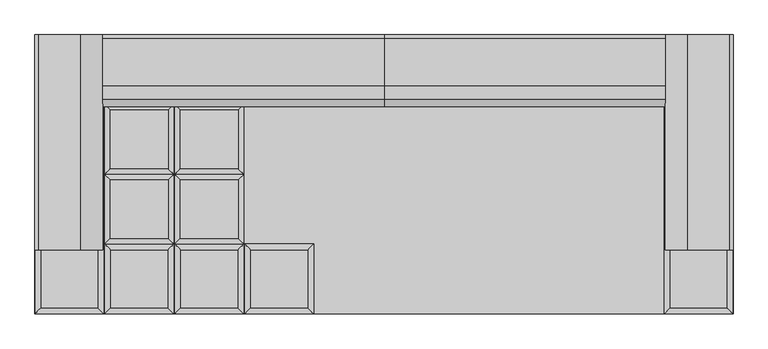
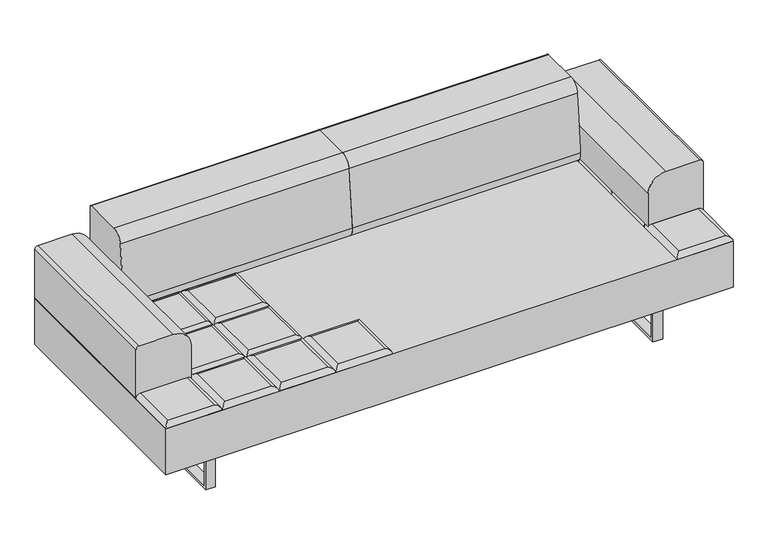
"""IFC4 building model written with IfcOpenShell, lengths in millimetres: furniture geometry."""

from ifc_helpers import new_model, si_unit, point, frame, frame_2d, origin, place, context, project, spatial, polyline, circle_curve, ellipse_curve, trimmed, segment, composite_curve, outline, extrude, source, transform, mapped, element, save
from ifc_brep_helpers import plane_surface, cylinder_surface, advanced_brep


def furniture_2a4c1647(model_context):
    return source(origin(), model_context, "Body", "SolidModel", [
        advanced_brep(
        [(-223.9433333, -222.25, 393.7), (-241.9038456, -240.2105122, 411.6605122), (-241.9038456, -426.5394878, 411.6605122), (-223.9433333, -444.5, 393.7), (-425.6928211, -426.5394878, 411.6605122), (-443.6533333, -444.5, 393.7), (-425.6928211, -240.2105122, 411.6605122), (-443.6533333, -222.25, 393.7)],
        [
            (0, 1, ellipse_curve(frame((-241.9038456, -240.2105122, 393.7), z_axis=(0.7071067811865475, -0.7071067811865475, 0.0), x_axis=(0.7071067811865474, 0.7071067811865476, 0.0)), 25.4, 17.9605122)),
            (1, 2),
            (2, 3, ellipse_curve(frame((-241.9038456, -426.5394878, 393.7), z_axis=(0.7071067811865475, 0.7071067811865475, 0.0), x_axis=(-0.7071067811865474, 0.7071067811865476, 0.0)), 25.4, 17.9605122)),
            (3, 0),
            (2, 4),
            (4, 5, ellipse_curve(frame((-425.6928211, -426.5394878, 393.7), z_axis=(0.7071067811865475, -0.7071067811865475, 0.0), x_axis=(0.7071067811865476, 0.7071067811865474, 0.0)), 25.4, 17.9605122)),
            (5, 3),
            (4, 6),
            (6, 7, ellipse_curve(frame((-425.6928211, -240.2105122, 393.7), z_axis=(-0.7071067811865475, -0.7071067811865475, 0.0), x_axis=(0.7071067811865474, -0.7071067811865476, 0.0)), 25.4, 17.9605122)),
            (7, 5),
            (0, 7),
            (6, 1),
        ],
        [
            cylinder_surface(frame((-241.9038456, -222.25, 393.7), z_axis=(0.0, 1.0, 0.0), x_axis=(1.0, 0.0, 0.0)), 17.9605122),
            cylinder_surface(frame((-223.9433333, -426.5394878, 393.7), z_axis=(1.0, 0.0, 0.0), x_axis=(0.0, -1.0, 0.0)), 17.9605122),
            cylinder_surface(frame((-425.6928211, -444.5, 393.7), z_axis=(0.0, -1.0, 0.0), x_axis=(-1.0, 0.0, 0.0)), 17.9605122),
            cylinder_surface(frame((-443.6533333, -240.2105122, 393.7), z_axis=(-1.0, 0.0, 0.0), x_axis=(0.0, 1.0, 0.0)), 17.9605122),
            plane_surface(frame((-443.6533333, -222.25, 393.7), z_axis=(0.0, 0.0, -1.0), x_axis=(1.0, 0.0, 0.0))),
            plane_surface(frame((-425.6928211, -240.2105122, 411.6605122), z_axis=(0.0, 0.0, 1.0), x_axis=(-1.0, 0.0, 0.0))),
        ],
        [
            (0, [[1, 2, 3, 4]]),
            (1, [[-3, 5, 6, 7]]),
            (2, [[-6, 8, 9, 10]]),
            (3, [[-1, 11, -9, 12]]),
            (4, [[-4, -7, -10, -11]]),
            (5, [[-2, -12, -8, -5]]),
        ],
    ),
        advanced_brep(
        [(-464.4360678, -204.2894878, 411.6605122), (-464.4360678, -17.9605122, 411.6605122), (-648.2250433, -17.9605122, 411.6605122), (-648.2250433, -204.2894878, 411.6605122), (-446.4755556, 0.0, 393.7), (-446.4755556, -222.25, 393.7), (-666.1855556, -222.25, 393.7), (-666.1855556, 0.0, 393.7)],
        [
            (0, 1),
            (1, 2),
            (2, 3),
            (3, 0),
            (4, 5),
            (5, 6),
            (6, 7),
            (7, 4),
            (4, 1, ellipse_curve(frame((-464.4360678, -17.9605122, 393.7), z_axis=(0.7071067811865475, -0.7071067811865475, 0.0), x_axis=(0.7071067811865474, 0.7071067811865476, 0.0)), 25.4, 17.9605122)),
            (0, 5, ellipse_curve(frame((-464.4360678, -204.2894878, 393.7), z_axis=(0.7071067811865475, 0.7071067811865475, 0.0), x_axis=(-0.7071067811865474, 0.7071067811865476, 0.0)), 25.4, 17.9605122)),
            (3, 6, ellipse_curve(frame((-648.2250433, -204.2894878, 393.7), z_axis=(0.7071067811865475, -0.7071067811865475, 0.0), x_axis=(0.7071067811865476, 0.7071067811865474, 0.0)), 25.4, 17.9605122)),
            (2, 7, ellipse_curve(frame((-648.2250433, -17.9605122, 393.7), z_axis=(-0.7071067811865475, -0.7071067811865475, 0.0), x_axis=(0.7071067811865474, -0.7071067811865476, 0.0)), 25.4, 17.9605122)),
        ],
        [
            plane_surface(frame((-648.2250433, -17.9605122, 411.6605122), z_axis=(0.0, 0.0, 1.0), x_axis=(-1.0, 0.0, 0.0))),
            plane_surface(frame((-648.2250433, -17.9605122, 393.7), z_axis=(0.0, 0.0, -1.0), x_axis=(1.0, 0.0, 0.0))),
            cylinder_surface(frame((-464.4360678, 0.0, 393.7), z_axis=(0.0, 1.0, 0.0), x_axis=(1.0, 0.0, 0.0)), 17.9605122),
            cylinder_surface(frame((-446.4755556, -204.2894878, 393.7), z_axis=(1.0, 0.0, 0.0), x_axis=(0.0, -1.0, 0.0)), 17.9605122),
            cylinder_surface(frame((-648.2250433, -222.25, 393.7), z_axis=(0.0, -1.0, 0.0), x_axis=(-1.0, 0.0, 0.0)), 17.9605122),
            cylinder_surface(frame((-666.1855556, -17.9605122, 393.7), z_axis=(-1.0, 0.0, 0.0), x_axis=(0.0, 1.0, 0.0)), 17.9605122),
        ],
        [
            (0, [[1, 2, 3, 4]]),
            (1, [[5, 6, 7, 8]]),
            (2, [[9, -1, 10, -5]]),
            (3, [[-10, -4, 11, -6]]),
            (4, [[-11, -3, 12, -7]]),
            (5, [[-9, -8, -12, -2]]),
        ],
    ),
        advanced_brep(
        [(-464.4360678, 17.9605122, 411.6605122), (-464.4360678, 204.2894878, 411.6605122), (-648.2250433, 204.2894878, 411.6605122), (-648.2250433, 17.9605122, 411.6605122), (-446.4755556, 222.25, 393.7), (-446.4755556, 0.0, 393.7), (-666.1855556, 0.0, 393.7), (-666.1855556, 222.25, 393.7)],
        [
            (0, 1),
            (1, 2),
            (2, 3),
            (3, 0),
            (4, 5),
            (5, 6),
            (6, 7),
            (7, 4),
            (4, 1, ellipse_curve(frame((-464.4360678, 204.2894878, 393.7), z_axis=(0.7071067811865475, -0.7071067811865475, 0.0), x_axis=(0.7071067811865474, 0.7071067811865476, 0.0)), 25.4, 17.9605122)),
            (0, 5, ellipse_curve(frame((-464.4360678, 17.9605122, 393.7), z_axis=(0.7071067811865475, 0.7071067811865475, 0.0), x_axis=(-0.7071067811865474, 0.7071067811865476, 0.0)), 25.4, 17.9605122)),
            (3, 6, ellipse_curve(frame((-648.2250433, 17.9605122, 393.7), z_axis=(0.7071067811865475, -0.7071067811865475, 0.0), x_axis=(0.7071067811865476, 0.7071067811865474, 0.0)), 25.4, 17.9605122)),
            (2, 7, ellipse_curve(frame((-648.2250433, 204.2894878, 393.7), z_axis=(-0.7071067811865475, -0.7071067811865475, 0.0), x_axis=(0.7071067811865474, -0.7071067811865476, 0.0)), 25.4, 17.9605122)),
        ],
        [
            plane_surface(frame((-648.2250433, 204.2894878, 411.6605122), z_axis=(0.0, 0.0, 1.0), x_axis=(-1.0, 0.0, 0.0))),
            plane_surface(frame((-648.2250433, 204.2894878, 393.7), z_axis=(0.0, 0.0, -1.0), x_axis=(1.0, 0.0, 0.0))),
            cylinder_surface(frame((-464.4360678, 222.25, 393.7), z_axis=(0.0, 1.0, 0.0), x_axis=(1.0, 0.0, 0.0)), 17.9605122),
            cylinder_surface(frame((-446.4755556, 17.9605122, 393.7), z_axis=(1.0, 0.0, 0.0), x_axis=(0.0, -1.0, 0.0)), 17.9605122),
            cylinder_surface(frame((-648.2250433, 0.0, 393.7), z_axis=(0.0, -1.0, 0.0), x_axis=(-1.0, 0.0, 0.0)), 17.9605122),
            cylinder_surface(frame((-666.1855556, 204.2894878, 393.7), z_axis=(-1.0, 0.0, 0.0), x_axis=(0.0, 1.0, 0.0)), 17.9605122),
        ],
        [
            (0, [[1, 2, 3, 4]]),
            (1, [[5, 6, 7, 8]]),
            (2, [[9, -1, 10, -5]]),
            (3, [[-10, -4, 11, -6]]),
            (4, [[-11, -3, 12, -7]]),
            (5, [[-9, -8, -12, -2]]),
        ],
    ),
        advanced_brep(
        [(-464.4360678, 240.2105122, 411.6605122), (-464.4360678, 426.5394878, 411.6605122), (-648.2250433, 426.5394878, 411.6605122), (-648.2250433, 240.2105122, 411.6605122), (-446.4755556, 444.5, 393.7), (-446.4755556, 222.25, 393.7), (-666.1855556, 222.25, 393.7), (-666.1855556, 444.5, 393.7)],
        [
            (0, 1),
            (1, 2),
            (2, 3),
            (3, 0),
            (4, 5),
            (5, 6),
            (6, 7),
            (7, 4),
            (4, 1, ellipse_curve(frame((-464.4360678, 426.5394878, 393.7), z_axis=(0.7071067811865475, -0.7071067811865475, 0.0), x_axis=(0.7071067811865474, 0.7071067811865476, 0.0)), 25.4, 17.9605122)),
            (0, 5, ellipse_curve(frame((-464.4360678, 240.2105122, 393.7), z_axis=(0.7071067811865475, 0.7071067811865475, 0.0), x_axis=(-0.7071067811865474, 0.7071067811865476, 0.0)), 25.4, 17.9605122)),
            (3, 6, ellipse_curve(frame((-648.2250433, 240.2105122, 393.7), z_axis=(0.7071067811865475, -0.7071067811865475, 0.0), x_axis=(0.7071067811865476, 0.7071067811865474, 0.0)), 25.4, 17.9605122)),
            (2, 7, ellipse_curve(frame((-648.2250433, 426.5394878, 393.7), z_axis=(-0.7071067811865475, -0.7071067811865475, 0.0), x_axis=(0.7071067811865474, -0.7071067811865476, 0.0)), 25.4, 17.9605122)),
        ],
        [
            plane_surface(frame((-648.2250433, 426.5394878, 411.6605122), z_axis=(0.0, 0.0, 1.0), x_axis=(-1.0, 0.0, 0.0))),
            plane_surface(frame((-648.2250433, 426.5394878, 393.7), z_axis=(0.0, 0.0, -1.0), x_axis=(1.0, 0.0, 0.0))),
            cylinder_surface(frame((-464.4360678, 444.5, 393.7), z_axis=(0.0, 1.0, 0.0), x_axis=(1.0, 0.0, 0.0)), 17.9605122),
            cylinder_surface(frame((-446.4755556, 240.2105122, 393.7), z_axis=(1.0, 0.0, 0.0), x_axis=(0.0, -1.0, 0.0)), 17.9605122),
            cylinder_surface(frame((-648.2250433, 222.25, 393.7), z_axis=(0.0, -1.0, 0.0), x_axis=(-1.0, 0.0, 0.0)), 17.9605122),
            cylinder_surface(frame((-666.1855556, 426.5394878, 393.7), z_axis=(-1.0, 0.0, 0.0), x_axis=(0.0, 1.0, 0.0)), 17.9605122),
        ],
        [
            (0, [[1, 2, 3, 4]]),
            (1, [[5, 6, 7, 8]]),
            (2, [[9, -1, 10, -5]]),
            (3, [[-10, -4, 11, -6]]),
            (4, [[-11, -3, 12, -7]]),
            (5, [[-9, -8, -12, -2]]),
        ],
    ),
        advanced_brep(
        [(-446.4755556, -222.25, 393.7), (-464.4360678, -240.2105122, 411.6605122), (-464.4360678, -426.5394878, 411.6605122), (-446.4755556, -444.5, 393.7), (-648.2250433, -426.5394878, 411.6605122), (-666.1855556, -444.5, 393.7), (-648.2250433, -240.2105122, 411.6605122), (-666.1855556, -222.25, 393.7)],
        [
            (0, 1, ellipse_curve(frame((-464.4360678, -240.2105122, 393.7), z_axis=(0.7071067811865475, -0.7071067811865475, 0.0), x_axis=(0.7071067811865474, 0.7071067811865476, 0.0)), 25.4, 17.9605122)),
            (1, 2),
            (2, 3, ellipse_curve(frame((-464.4360678, -426.5394878, 393.7), z_axis=(0.7071067811865475, 0.7071067811865475, 0.0), x_axis=(-0.7071067811865474, 0.7071067811865476, 0.0)), 25.4, 17.9605122)),
            (3, 0),
            (2, 4),
            (4, 5, ellipse_curve(frame((-648.2250433, -426.5394878, 393.7), z_axis=(0.7071067811865475, -0.7071067811865475, 0.0), x_axis=(0.7071067811865476, 0.7071067811865474, 0.0)), 25.4, 17.9605122)),
            (5, 3),
            (4, 6),
            (6, 7, ellipse_curve(frame((-648.2250433, -240.2105122, 393.7), z_axis=(-0.7071067811865475, -0.7071067811865475, 0.0), x_axis=(0.7071067811865474, -0.7071067811865476, 0.0)), 25.4, 17.9605122)),
            (7, 5),
            (0, 7),
            (6, 1),
        ],
        [
            cylinder_surface(frame((-464.4360678, -222.25, 393.7), z_axis=(0.0, 1.0, 0.0), x_axis=(1.0, 0.0, 0.0)), 17.9605122),
            cylinder_surface(frame((-446.4755556, -426.5394878, 393.7), z_axis=(1.0, 0.0, 0.0), x_axis=(0.0, -1.0, 0.0)), 17.9605122),
            cylinder_surface(frame((-648.2250433, -444.5, 393.7), z_axis=(0.0, -1.0, 0.0), x_axis=(-1.0, 0.0, 0.0)), 17.9605122),
            cylinder_surface(frame((-666.1855556, -240.2105122, 393.7), z_axis=(-1.0, 0.0, 0.0), x_axis=(0.0, 1.0, 0.0)), 17.9605122),
            plane_surface(frame((-666.1855556, -222.25, 393.7), z_axis=(0.0, 0.0, -1.0), x_axis=(1.0, 0.0, 0.0))),
            plane_surface(frame((-648.2250433, -240.2105122, 411.6605122), z_axis=(0.0, 0.0, 1.0), x_axis=(-1.0, 0.0, 0.0))),
        ],
        [
            (0, [[1, 2, 3, 4]]),
            (1, [[-3, 5, 6, 7]]),
            (2, [[-6, 8, 9, 10]]),
            (3, [[-1, 11, -9, 12]]),
            (4, [[-4, -7, -10, -11]]),
            (5, [[-2, -12, -8, -5]]),
        ],
    ),
        advanced_brep(
        [(-686.96829, -204.2894878, 411.6605122), (-686.96829, -17.9605122, 411.6605122), (-870.7572655, -17.9605122, 411.6605122), (-870.7572655, -204.2894878, 411.6605122), (-669.0077778, 0.0, 393.7), (-669.0077778, -222.25, 393.7), (-888.7177778, -222.25, 393.7), (-888.7177778, 0.0, 393.7)],
        [
            (0, 1),
            (1, 2),
            (2, 3),
            (3, 0),
            (4, 5),
            (5, 6),
            (6, 7),
            (7, 4),
            (4, 1, ellipse_curve(frame((-686.96829, -17.9605122, 393.7), z_axis=(0.7071067811865475, -0.7071067811865475, 0.0), x_axis=(0.7071067811865474, 0.7071067811865476, 0.0)), 25.4, 17.9605122)),
            (0, 5, ellipse_curve(frame((-686.96829, -204.2894878, 393.7), z_axis=(0.7071067811865475, 0.7071067811865475, 0.0), x_axis=(-0.7071067811865474, 0.7071067811865476, 0.0)), 25.4, 17.9605122)),
            (3, 6, ellipse_curve(frame((-870.7572655, -204.2894878, 393.7), z_axis=(0.7071067811865475, -0.7071067811865475, 0.0), x_axis=(0.7071067811865476, 0.7071067811865474, 0.0)), 25.4, 17.9605122)),
            (2, 7, ellipse_curve(frame((-870.7572655, -17.9605122, 393.7), z_axis=(-0.7071067811865475, -0.7071067811865475, 0.0), x_axis=(0.7071067811865474, -0.7071067811865476, 0.0)), 25.4, 17.9605122)),
        ],
        [
            plane_surface(frame((-870.7572655, -17.9605122, 411.6605122), z_axis=(0.0, 0.0, 1.0), x_axis=(-1.0, 0.0, 0.0))),
            plane_surface(frame((-870.7572655, -17.9605122, 393.7), z_axis=(0.0, 0.0, -1.0), x_axis=(1.0, 0.0, 0.0))),
            cylinder_surface(frame((-686.96829, 0.0, 393.7), z_axis=(0.0, 1.0, 0.0), x_axis=(1.0, 0.0, 0.0)), 17.9605122),
            cylinder_surface(frame((-669.0077778, -204.2894878, 393.7), z_axis=(1.0, 0.0, 0.0), x_axis=(0.0, -1.0, 0.0)), 17.9605122),
            cylinder_surface(frame((-870.7572655, -222.25, 393.7), z_axis=(0.0, -1.0, 0.0), x_axis=(-1.0, 0.0, 0.0)), 17.9605122),
            cylinder_surface(frame((-888.7177778, -17.9605122, 393.7), z_axis=(-1.0, 0.0, 0.0), x_axis=(0.0, 1.0, 0.0)), 17.9605122),
        ],
        [
            (0, [[1, 2, 3, 4]]),
            (1, [[5, 6, 7, 8]]),
            (2, [[9, -1, 10, -5]]),
            (3, [[-10, -4, 11, -6]]),
            (4, [[-11, -3, 12, -7]]),
            (5, [[-9, -8, -12, -2]]),
        ],
    ),
        advanced_brep(
        [(-686.96829, 17.9605122, 411.6605122), (-686.96829, 204.2894878, 411.6605122), (-870.7572655, 204.2894878, 411.6605122), (-870.7572655, 17.9605122, 411.6605122), (-669.0077778, 222.25, 393.7), (-669.0077778, 0.0, 393.7), (-888.7177778, 0.0, 393.7), (-888.7177778, 222.25, 393.7)],
        [
            (0, 1),
            (1, 2),
            (2, 3),
            (3, 0),
            (4, 5),
            (5, 6),
            (6, 7),
            (7, 4),
            (4, 1, ellipse_curve(frame((-686.96829, 204.2894878, 393.7), z_axis=(0.7071067811865475, -0.7071067811865475, 0.0), x_axis=(0.7071067811865474, 0.7071067811865476, 0.0)), 25.4, 17.9605122)),
            (0, 5, ellipse_curve(frame((-686.96829, 17.9605122, 393.7), z_axis=(0.7071067811865475, 0.7071067811865475, 0.0), x_axis=(-0.7071067811865474, 0.7071067811865476, 0.0)), 25.4, 17.9605122)),
            (3, 6, ellipse_curve(frame((-870.7572655, 17.9605122, 393.7), z_axis=(0.7071067811865475, -0.7071067811865475, 0.0), x_axis=(0.7071067811865476, 0.7071067811865474, 0.0)), 25.4, 17.9605122)),
            (2, 7, ellipse_curve(frame((-870.7572655, 204.2894878, 393.7), z_axis=(-0.7071067811865475, -0.7071067811865475, 0.0), x_axis=(0.7071067811865474, -0.7071067811865476, 0.0)), 25.4, 17.9605122)),
        ],
        [
            plane_surface(frame((-870.7572655, 204.2894878, 411.6605122), z_axis=(0.0, 0.0, 1.0), x_axis=(-1.0, 0.0, 0.0))),
            plane_surface(frame((-870.7572655, 204.2894878, 393.7), z_axis=(0.0, 0.0, -1.0), x_axis=(1.0, 0.0, 0.0))),
            cylinder_surface(frame((-686.96829, 222.25, 393.7), z_axis=(0.0, 1.0, 0.0), x_axis=(1.0, 0.0, 0.0)), 17.9605122),
            cylinder_surface(frame((-669.0077778, 17.9605122, 393.7), z_axis=(1.0, 0.0, 0.0), x_axis=(0.0, -1.0, 0.0)), 17.9605122),
            cylinder_surface(frame((-870.7572655, 0.0, 393.7), z_axis=(0.0, -1.0, 0.0), x_axis=(-1.0, 0.0, 0.0)), 17.9605122),
            cylinder_surface(frame((-888.7177778, 204.2894878, 393.7), z_axis=(-1.0, 0.0, 0.0), x_axis=(0.0, 1.0, 0.0)), 17.9605122),
        ],
        [
            (0, [[1, 2, 3, 4]]),
            (1, [[5, 6, 7, 8]]),
            (2, [[9, -1, 10, -5]]),
            (3, [[-10, -4, 11, -6]]),
            (4, [[-11, -3, 12, -7]]),
            (5, [[-9, -8, -12, -2]]),
        ],
    ),
        advanced_brep(
        [(-686.96829, 240.2105122, 411.6605122), (-686.96829, 426.5394878, 411.6605122), (-870.7572655, 426.5394878, 411.6605122), (-870.7572655, 240.2105122, 411.6605122), (-669.0077778, 444.5, 393.7), (-669.0077778, 222.25, 393.7), (-888.7177778, 222.25, 393.7), (-888.7177778, 444.5, 393.7)],
        [
            (0, 1),
            (1, 2),
            (2, 3),
            (3, 0),
            (4, 5),
            (5, 6),
            (6, 7),
            (7, 4),
            (4, 1, ellipse_curve(frame((-686.96829, 426.5394878, 393.7), z_axis=(0.7071067811865475, -0.7071067811865475, 0.0), x_axis=(0.7071067811865474, 0.7071067811865476, 0.0)), 25.4, 17.9605122)),
            (0, 5, ellipse_curve(frame((-686.96829, 240.2105122, 393.7), z_axis=(0.7071067811865475, 0.7071067811865475, 0.0), x_axis=(-0.7071067811865474, 0.7071067811865476, 0.0)), 25.4, 17.9605122)),
            (3, 6, ellipse_curve(frame((-870.7572655, 240.2105122, 393.7), z_axis=(0.7071067811865475, -0.7071067811865475, 0.0), x_axis=(0.7071067811865476, 0.7071067811865474, 0.0)), 25.4, 17.9605122)),
            (2, 7, ellipse_curve(frame((-870.7572655, 426.5394878, 393.7), z_axis=(-0.7071067811865475, -0.7071067811865475, 0.0), x_axis=(0.7071067811865474, -0.7071067811865476, 0.0)), 25.4, 17.9605122)),
        ],
        [
            plane_surface(frame((-870.7572655, 426.5394878, 411.6605122), z_axis=(0.0, 0.0, 1.0), x_axis=(-1.0, 0.0, 0.0))),
            plane_surface(frame((-870.7572655, 426.5394878, 393.7), z_axis=(0.0, 0.0, -1.0), x_axis=(1.0, 0.0, 0.0))),
            cylinder_surface(frame((-686.96829, 444.5, 393.7), z_axis=(0.0, 1.0, 0.0), x_axis=(1.0, 0.0, 0.0)), 17.9605122),
            cylinder_surface(frame((-669.0077778, 240.2105122, 393.7), z_axis=(1.0, 0.0, 0.0), x_axis=(0.0, -1.0, 0.0)), 17.9605122),
            cylinder_surface(frame((-870.7572655, 222.25, 393.7), z_axis=(0.0, -1.0, 0.0), x_axis=(-1.0, 0.0, 0.0)), 17.9605122),
            cylinder_surface(frame((-888.7177778, 426.5394878, 393.7), z_axis=(-1.0, 0.0, 0.0), x_axis=(0.0, 1.0, 0.0)), 17.9605122),
        ],
        [
            (0, [[1, 2, 3, 4]]),
            (1, [[5, 6, 7, 8]]),
            (2, [[9, -1, 10, -5]]),
            (3, [[-10, -4, 11, -6]]),
            (4, [[-11, -3, 12, -7]]),
            (5, [[-9, -8, -12, -2]]),
        ],
    ),
        advanced_brep(
        [(-669.0077778, -222.25, 393.7), (-686.96829, -240.2105122, 411.6605122), (-686.96829, -426.5394878, 411.6605122), (-669.0077778, -444.5, 393.7), (-870.7572655, -426.5394878, 411.6605122), (-888.7177778, -444.5, 393.7), (-870.7572655, -240.2105122, 411.6605122), (-888.7177778, -222.25, 393.7)],
        [
            (0, 1, ellipse_curve(frame((-686.96829, -240.2105122, 393.7), z_axis=(0.7071067811865475, -0.7071067811865475, 0.0), x_axis=(0.7071067811865474, 0.7071067811865476, 0.0)), 25.4, 17.9605122)),
            (1, 2),
            (2, 3, ellipse_curve(frame((-686.96829, -426.5394878, 393.7), z_axis=(0.7071067811865475, 0.7071067811865475, 0.0), x_axis=(-0.7071067811865474, 0.7071067811865476, 0.0)), 25.4, 17.9605122)),
            (3, 0),
            (2, 4),
            (4, 5, ellipse_curve(frame((-870.7572655, -426.5394878, 393.7), z_axis=(0.7071067811865475, -0.7071067811865475, 0.0), x_axis=(0.7071067811865476, 0.7071067811865474, 0.0)), 25.4, 17.9605122)),
            (5, 3),
            (4, 6),
            (6, 7, ellipse_curve(frame((-870.7572655, -240.2105122, 393.7), z_axis=(-0.7071067811865475, -0.7071067811865475, 0.0), x_axis=(0.7071067811865474, -0.7071067811865476, 0.0)), 25.4, 17.9605122)),
            (7, 5),
            (0, 7),
            (6, 1),
        ],
        [
            cylinder_surface(frame((-686.96829, -222.25, 393.7), z_axis=(0.0, 1.0, 0.0), x_axis=(1.0, 0.0, 0.0)), 17.9605122),
            cylinder_surface(frame((-669.0077778, -426.5394878, 393.7), z_axis=(1.0, 0.0, 0.0), x_axis=(0.0, -1.0, 0.0)), 17.9605122),
            cylinder_surface(frame((-870.7572655, -444.5, 393.7), z_axis=(0.0, -1.0, 0.0), x_axis=(-1.0, 0.0, 0.0)), 17.9605122),
            cylinder_surface(frame((-888.7177778, -240.2105122, 393.7), z_axis=(-1.0, 0.0, 0.0), x_axis=(0.0, 1.0, 0.0)), 17.9605122),
            plane_surface(frame((-888.7177778, -222.25, 393.7), z_axis=(0.0, 0.0, -1.0), x_axis=(1.0, 0.0, 0.0))),
            plane_surface(frame((-870.7572655, -240.2105122, 411.6605122), z_axis=(0.0, 0.0, 1.0), x_axis=(-1.0, 0.0, 0.0))),
        ],
        [
            (0, [[1, 2, 3, 4]]),
            (1, [[-3, 5, 6, 7]]),
            (2, [[-6, 8, 9, 10]]),
            (3, [[-1, 11, -9, 12]]),
            (4, [[-4, -7, -10, -11]]),
            (5, [[-2, -12, -8, -5]]),
        ],
    ),
        advanced_brep(
        [(1093.2894878, -204.2894878, 411.6605122), (1093.2894878, -17.9605122, 411.6605122), (909.5005122, -17.9605122, 411.6605122), (909.5005122, -204.2894878, 411.6605122), (1111.25, 0.0, 393.7), (1111.25, -222.25, 393.7), (891.54, -222.25, 393.7), (891.54, 0.0, 393.7)],
        [
            (0, 1),
            (1, 2),
            (2, 3),
            (3, 0),
            (4, 5),
            (5, 6),
            (6, 7),
            (7, 4),
            (4, 1, ellipse_curve(frame((1093.2894878, -17.9605122, 393.7), z_axis=(0.7071067811865475, -0.7071067811865475, 0.0), x_axis=(0.7071067811865474, 0.7071067811865476, 0.0)), 25.4, 17.9605122)),
            (0, 5, ellipse_curve(frame((1093.2894878, -204.2894878, 393.7), z_axis=(0.7071067811865475, 0.7071067811865475, 0.0), x_axis=(-0.7071067811865474, 0.7071067811865476, 0.0)), 25.4, 17.9605122)),
            (3, 6, ellipse_curve(frame((909.5005122, -204.2894878, 393.7), z_axis=(0.7071067811865475, -0.7071067811865475, 0.0), x_axis=(0.7071067811865476, 0.7071067811865474, 0.0)), 25.4, 17.9605122)),
            (2, 7, ellipse_curve(frame((909.5005122, -17.9605122, 393.7), z_axis=(-0.7071067811865475, -0.7071067811865475, 0.0), x_axis=(0.7071067811865474, -0.7071067811865476, 0.0)), 25.4, 17.9605122)),
        ],
        [
            plane_surface(frame((909.5005122, -17.9605122, 411.6605122), z_axis=(0.0, 0.0, 1.0), x_axis=(-1.0, 0.0, 0.0))),
            plane_surface(frame((909.5005122, -17.9605122, 393.7), z_axis=(0.0, 0.0, -1.0), x_axis=(1.0, 0.0, 0.0))),
            cylinder_surface(frame((1093.2894878, 0.0, 393.7), z_axis=(0.0, 1.0, 0.0), x_axis=(1.0, 0.0, 0.0)), 17.9605122),
            cylinder_surface(frame((1111.25, -204.2894878, 393.7), z_axis=(1.0, 0.0, 0.0), x_axis=(0.0, -1.0, 0.0)), 17.9605122),
            cylinder_surface(frame((909.5005122, -222.25, 393.7), z_axis=(0.0, -1.0, 0.0), x_axis=(-1.0, 0.0, 0.0)), 17.9605122),
            cylinder_surface(frame((891.54, -17.9605122, 393.7), z_axis=(-1.0, 0.0, 0.0), x_axis=(0.0, 1.0, 0.0)), 17.9605122),
        ],
        [
            (0, [[1, 2, 3, 4]]),
            (1, [[5, 6, 7, 8]]),
            (2, [[9, -1, 10, -5]]),
            (3, [[-10, -4, 11, -6]]),
            (4, [[-11, -3, 12, -7]]),
            (5, [[-9, -8, -12, -2]]),
        ],
    ),
        advanced_brep(
        [(1093.2894878, 17.9605122, 411.6605122), (1093.2894878, 204.2894878, 411.6605122), (909.5005122, 204.2894878, 411.6605122), (909.5005122, 17.9605122, 411.6605122), (1111.25, 222.25, 393.7), (1111.25, 0.0, 393.7), (891.54, 0.0, 393.7), (891.54, 222.25, 393.7)],
        [
            (0, 1),
            (1, 2),
            (2, 3),
            (3, 0),
            (4, 5),
            (5, 6),
            (6, 7),
            (7, 4),
            (4, 1, ellipse_curve(frame((1093.2894878, 204.2894878, 393.7), z_axis=(0.7071067811865475, -0.7071067811865475, 0.0), x_axis=(0.7071067811865474, 0.7071067811865476, 0.0)), 25.4, 17.9605122)),
            (0, 5, ellipse_curve(frame((1093.2894878, 17.9605122, 393.7), z_axis=(0.7071067811865475, 0.7071067811865475, 0.0), x_axis=(-0.7071067811865474, 0.7071067811865476, 0.0)), 25.4, 17.9605122)),
            (3, 6, ellipse_curve(frame((909.5005122, 17.9605122, 393.7), z_axis=(0.7071067811865475, -0.7071067811865475, 0.0), x_axis=(0.7071067811865476, 0.7071067811865474, 0.0)), 25.4, 17.9605122)),
            (2, 7, ellipse_curve(frame((909.5005122, 204.2894878, 393.7), z_axis=(-0.7071067811865475, -0.7071067811865475, 0.0), x_axis=(0.7071067811865474, -0.7071067811865476, 0.0)), 25.4, 17.9605122)),
        ],
        [
            plane_surface(frame((909.5005122, 204.2894878, 411.6605122), z_axis=(0.0, 0.0, 1.0), x_axis=(-1.0, 0.0, 0.0))),
            plane_surface(frame((909.5005122, 204.2894878, 393.7), z_axis=(0.0, 0.0, -1.0), x_axis=(1.0, 0.0, 0.0))),
            cylinder_surface(frame((1093.2894878, 222.25, 393.7), z_axis=(0.0, 1.0, 0.0), x_axis=(1.0, 0.0, 0.0)), 17.9605122),
            cylinder_surface(frame((1111.25, 17.9605122, 393.7), z_axis=(1.0, 0.0, 0.0), x_axis=(0.0, -1.0, 0.0)), 17.9605122),
            cylinder_surface(frame((909.5005122, 0.0, 393.7), z_axis=(0.0, -1.0, 0.0), x_axis=(-1.0, 0.0, 0.0)), 17.9605122),
            cylinder_surface(frame((891.54, 204.2894878, 393.7), z_axis=(-1.0, 0.0, 0.0), x_axis=(0.0, 1.0, 0.0)), 17.9605122),
        ],
        [
            (0, [[1, 2, 3, 4]]),
            (1, [[5, 6, 7, 8]]),
            (2, [[9, -1, 10, -5]]),
            (3, [[-10, -4, 11, -6]]),
            (4, [[-11, -3, 12, -7]]),
            (5, [[-9, -8, -12, -2]]),
        ],
    ),
        advanced_brep(
        [(1093.2894878, 240.2105122, 411.6605122), (1093.2894878, 426.5394878, 411.6605122), (909.5005122, 426.5394878, 411.6605122), (909.5005122, 240.2105122, 411.6605122), (1111.25, 444.5, 393.7), (1111.25, 222.25, 393.7), (891.54, 222.25, 393.7), (891.54, 444.5, 393.7)],
        [
            (0, 1),
            (1, 2),
            (2, 3),
            (3, 0),
            (4, 5),
            (5, 6),
            (6, 7),
            (7, 4),
            (4, 1, ellipse_curve(frame((1093.2894878, 426.5394878, 393.7), z_axis=(0.7071067811865475, -0.7071067811865475, 0.0), x_axis=(0.7071067811865474, 0.7071067811865476, 0.0)), 25.4, 17.9605122)),
            (0, 5, ellipse_curve(frame((1093.2894878, 240.2105122, 393.7), z_axis=(0.7071067811865475, 0.7071067811865475, 0.0), x_axis=(-0.7071067811865474, 0.7071067811865476, 0.0)), 25.4, 17.9605122)),
            (3, 6, ellipse_curve(frame((909.5005122, 240.2105122, 393.7), z_axis=(0.7071067811865475, -0.7071067811865475, 0.0), x_axis=(0.7071067811865476, 0.7071067811865474, 0.0)), 25.4, 17.9605122)),
            (2, 7, ellipse_curve(frame((909.5005122, 426.5394878, 393.7), z_axis=(-0.7071067811865475, -0.7071067811865475, 0.0), x_axis=(0.7071067811865474, -0.7071067811865476, 0.0)), 25.4, 17.9605122)),
        ],
        [
            plane_surface(frame((909.5005122, 426.5394878, 411.6605122), z_axis=(0.0, 0.0, 1.0), x_axis=(-1.0, 0.0, 0.0))),
            plane_surface(frame((909.5005122, 426.5394878, 393.7), z_axis=(0.0, 0.0, -1.0), x_axis=(1.0, 0.0, 0.0))),
            cylinder_surface(frame((1093.2894878, 444.5, 393.7), z_axis=(0.0, 1.0, 0.0), x_axis=(1.0, 0.0, 0.0)), 17.9605122),
            cylinder_surface(frame((1111.25, 240.2105122, 393.7), z_axis=(1.0, 0.0, 0.0), x_axis=(0.0, -1.0, 0.0)), 17.9605122),
            cylinder_surface(frame((909.5005122, 222.25, 393.7), z_axis=(0.0, -1.0, 0.0), x_axis=(-1.0, 0.0, 0.0)), 17.9605122),
            cylinder_surface(frame((891.54, 426.5394878, 393.7), z_axis=(-1.0, 0.0, 0.0), x_axis=(0.0, 1.0, 0.0)), 17.9605122),
        ],
        [
            (0, [[1, 2, 3, 4]]),
            (1, [[5, 6, 7, 8]]),
            (2, [[9, -1, 10, -5]]),
            (3, [[-10, -4, 11, -6]]),
            (4, [[-11, -3, 12, -7]]),
            (5, [[-9, -8, -12, -2]]),
        ],
    ),
        advanced_brep(
        [(1111.25, -222.25, 393.7), (1093.2894878, -240.2105122, 411.6605122), (1093.2894878, -426.5394878, 411.6605122), (1111.25, -444.5, 393.7), (909.5005122, -426.5394878, 411.6605122), (891.54, -444.5, 393.7), (909.5005122, -240.2105122, 411.6605122), (891.54, -222.25, 393.7)],
        [
            (0, 1, ellipse_curve(frame((1093.2894878, -240.2105122, 393.7), z_axis=(0.7071067811865475, -0.7071067811865475, 0.0), x_axis=(0.7071067811865474, 0.7071067811865476, 0.0)), 25.4, 17.9605122)),
            (1, 2),
            (2, 3, ellipse_curve(frame((1093.2894878, -426.5394878, 393.7), z_axis=(0.7071067811865475, 0.7071067811865475, 0.0), x_axis=(-0.7071067811865474, 0.7071067811865476, 0.0)), 25.4, 17.9605122)),
            (3, 0),
            (2, 4),
            (4, 5, ellipse_curve(frame((909.5005122, -426.5394878, 393.7), z_axis=(0.7071067811865475, -0.7071067811865475, 0.0), x_axis=(0.7071067811865476, 0.7071067811865474, 0.0)), 25.4, 17.9605122)),
            (5, 3),
            (4, 6),
            (6, 7, ellipse_curve(frame((909.5005122, -240.2105122, 393.7), z_axis=(-0.7071067811865475, -0.7071067811865475, 0.0), x_axis=(0.7071067811865474, -0.7071067811865476, 0.0)), 25.4, 17.9605122)),
            (7, 5),
            (0, 7),
            (6, 1),
        ],
        [
            cylinder_surface(frame((1093.2894878, -222.25, 393.7), z_axis=(0.0, 1.0, 0.0), x_axis=(1.0, 0.0, 0.0)), 17.9605122),
            cylinder_surface(frame((1111.25, -426.5394878, 393.7), z_axis=(1.0, 0.0, 0.0), x_axis=(0.0, -1.0, 0.0)), 17.9605122),
            cylinder_surface(frame((909.5005122, -444.5, 393.7), z_axis=(0.0, -1.0, 0.0), x_axis=(-1.0, 0.0, 0.0)), 17.9605122),
            cylinder_surface(frame((891.54, -240.2105122, 393.7), z_axis=(-1.0, 0.0, 0.0), x_axis=(0.0, 1.0, 0.0)), 17.9605122),
            plane_surface(frame((891.54, -222.25, 393.7), z_axis=(0.0, 0.0, -1.0), x_axis=(1.0, 0.0, 0.0))),
            plane_surface(frame((909.5005122, -240.2105122, 411.6605122), z_axis=(0.0, 0.0, 1.0), x_axis=(-1.0, 0.0, 0.0))),
        ],
        [
            (0, [[1, 2, 3, 4]]),
            (1, [[-3, 5, 6, 7]]),
            (2, [[-6, 8, 9, 10]]),
            (3, [[-1, 11, -9, 12]]),
            (4, [[-4, -7, -10, -11]]),
            (5, [[-2, -12, -8, -5]]),
        ],
    ),
        advanced_brep(
        [(-909.5005122, -204.2894878, 411.6605122), (-909.5005122, -17.9605122, 411.6605122), (-1093.2894878, -17.9605122, 411.6605122), (-1093.2894878, -204.2894878, 411.6605122), (-891.54, 0.0, 393.7), (-891.54, -222.25, 393.7), (-1111.25, -222.25, 393.7), (-1111.25, 0.0, 393.7)],
        [
            (0, 1),
            (1, 2),
            (2, 3),
            (3, 0),
            (4, 5),
            (5, 6),
            (6, 7),
            (7, 4),
            (4, 1, ellipse_curve(frame((-909.5005122, -17.9605122, 393.7), z_axis=(0.7071067811865475, -0.7071067811865475, 0.0), x_axis=(0.7071067811865474, 0.7071067811865476, 0.0)), 25.4, 17.9605122)),
            (0, 5, ellipse_curve(frame((-909.5005122, -204.2894878, 393.7), z_axis=(0.7071067811865475, 0.7071067811865475, 0.0), x_axis=(-0.7071067811865474, 0.7071067811865476, 0.0)), 25.4, 17.9605122)),
            (3, 6, ellipse_curve(frame((-1093.2894878, -204.2894878, 393.7), z_axis=(0.7071067811865475, -0.7071067811865475, 0.0), x_axis=(0.7071067811865476, 0.7071067811865474, 0.0)), 25.4, 17.9605122)),
            (2, 7, ellipse_curve(frame((-1093.2894878, -17.9605122, 393.7), z_axis=(-0.7071067811865475, -0.7071067811865475, 0.0), x_axis=(0.7071067811865474, -0.7071067811865476, 0.0)), 25.4, 17.9605122)),
        ],
        [
            plane_surface(frame((-1093.2894878, -17.9605122, 411.6605122), z_axis=(0.0, 0.0, 1.0), x_axis=(-1.0, 0.0, 0.0))),
            plane_surface(frame((-1093.2894878, -17.9605122, 393.7), z_axis=(0.0, 0.0, -1.0), x_axis=(1.0, 0.0, 0.0))),
            cylinder_surface(frame((-909.5005122, 0.0, 393.7), z_axis=(0.0, 1.0, 0.0), x_axis=(1.0, 0.0, 0.0)), 17.9605122),
            cylinder_surface(frame((-891.54, -204.2894878, 393.7), z_axis=(1.0, 0.0, 0.0), x_axis=(0.0, -1.0, 0.0)), 17.9605122),
            cylinder_surface(frame((-1093.2894878, -222.25, 393.7), z_axis=(0.0, -1.0, 0.0), x_axis=(-1.0, 0.0, 0.0)), 17.9605122),
            cylinder_surface(frame((-1111.25, -17.9605122, 393.7), z_axis=(-1.0, 0.0, 0.0), x_axis=(0.0, 1.0, 0.0)), 17.9605122),
        ],
        [
            (0, [[1, 2, 3, 4]]),
            (1, [[5, 6, 7, 8]]),
            (2, [[9, -1, 10, -5]]),
            (3, [[-10, -4, 11, -6]]),
            (4, [[-11, -3, 12, -7]]),
            (5, [[-9, -8, -12, -2]]),
        ],
    ),
        advanced_brep(
        [(-909.5005122, 17.9605122, 411.6605122), (-909.5005122, 204.2894878, 411.6605122), (-1093.2894878, 204.2894878, 411.6605122), (-1093.2894878, 17.9605122, 411.6605122), (-891.54, 222.25, 393.7), (-891.54, 0.0, 393.7), (-1111.25, 0.0, 393.7), (-1111.25, 222.25, 393.7)],
        [
            (0, 1),
            (1, 2),
            (2, 3),
            (3, 0),
            (4, 5),
            (5, 6),
            (6, 7),
            (7, 4),
            (4, 1, ellipse_curve(frame((-909.5005122, 204.2894878, 393.7), z_axis=(0.7071067811865475, -0.7071067811865475, 0.0), x_axis=(0.7071067811865474, 0.7071067811865476, 0.0)), 25.4, 17.9605122)),
            (0, 5, ellipse_curve(frame((-909.5005122, 17.9605122, 393.7), z_axis=(0.7071067811865475, 0.7071067811865475, 0.0), x_axis=(-0.7071067811865474, 0.7071067811865476, 0.0)), 25.4, 17.9605122)),
            (3, 6, ellipse_curve(frame((-1093.2894878, 17.9605122, 393.7), z_axis=(0.7071067811865475, -0.7071067811865475, 0.0), x_axis=(0.7071067811865476, 0.7071067811865474, 0.0)), 25.4, 17.9605122)),
            (2, 7, ellipse_curve(frame((-1093.2894878, 204.2894878, 393.7), z_axis=(-0.7071067811865475, -0.7071067811865475, 0.0), x_axis=(0.7071067811865474, -0.7071067811865476, 0.0)), 25.4, 17.9605122)),
        ],
        [
            plane_surface(frame((-1093.2894878, 204.2894878, 411.6605122), z_axis=(0.0, 0.0, 1.0), x_axis=(-1.0, 0.0, 0.0))),
            plane_surface(frame((-1093.2894878, 204.2894878, 393.7), z_axis=(0.0, 0.0, -1.0), x_axis=(1.0, 0.0, 0.0))),
            cylinder_surface(frame((-909.5005122, 222.25, 393.7), z_axis=(0.0, 1.0, 0.0), x_axis=(1.0, 0.0, 0.0)), 17.9605122),
            cylinder_surface(frame((-891.54, 17.9605122, 393.7), z_axis=(1.0, 0.0, 0.0), x_axis=(0.0, -1.0, 0.0)), 17.9605122),
            cylinder_surface(frame((-1093.2894878, 0.0, 393.7), z_axis=(0.0, -1.0, 0.0), x_axis=(-1.0, 0.0, 0.0)), 17.9605122),
            cylinder_surface(frame((-1111.25, 204.2894878, 393.7), z_axis=(-1.0, 0.0, 0.0), x_axis=(0.0, 1.0, 0.0)), 17.9605122),
        ],
        [
            (0, [[1, 2, 3, 4]]),
            (1, [[5, 6, 7, 8]]),
            (2, [[9, -1, 10, -5]]),
            (3, [[-10, -4, 11, -6]]),
            (4, [[-11, -3, 12, -7]]),
            (5, [[-9, -8, -12, -2]]),
        ],
    ),
        advanced_brep(
        [(-909.5005122, 240.2105122, 411.6605122), (-909.5005122, 426.5394878, 411.6605122), (-1093.2894878, 426.5394878, 411.6605122), (-1093.2894878, 240.2105122, 411.6605122), (-891.54, 444.5, 393.7), (-891.54, 222.25, 393.7), (-1111.25, 222.25, 393.7), (-1111.25, 444.5, 393.7)],
        [
            (0, 1),
            (1, 2),
            (2, 3),
            (3, 0),
            (4, 5),
            (5, 6),
            (6, 7),
            (7, 4),
            (4, 1, ellipse_curve(frame((-909.5005122, 426.5394878, 393.7), z_axis=(0.7071067811865475, -0.7071067811865475, 0.0), x_axis=(0.7071067811865474, 0.7071067811865476, 0.0)), 25.4, 17.9605122)),
            (0, 5, ellipse_curve(frame((-909.5005122, 240.2105122, 393.7), z_axis=(0.7071067811865475, 0.7071067811865475, 0.0), x_axis=(-0.7071067811865474, 0.7071067811865476, 0.0)), 25.4, 17.9605122)),
            (3, 6, ellipse_curve(frame((-1093.2894878, 240.2105122, 393.7), z_axis=(0.7071067811865475, -0.7071067811865475, 0.0), x_axis=(0.7071067811865476, 0.7071067811865474, 0.0)), 25.4, 17.9605122)),
            (2, 7, ellipse_curve(frame((-1093.2894878, 426.5394878, 393.7), z_axis=(-0.7071067811865475, -0.7071067811865475, 0.0), x_axis=(0.7071067811865474, -0.7071067811865476, 0.0)), 25.4, 17.9605122)),
        ],
        [
            plane_surface(frame((-1093.2894878, 426.5394878, 411.6605122), z_axis=(0.0, 0.0, 1.0), x_axis=(-1.0, 0.0, 0.0))),
            plane_surface(frame((-1093.2894878, 426.5394878, 393.7), z_axis=(0.0, 0.0, -1.0), x_axis=(1.0, 0.0, 0.0))),
            cylinder_surface(frame((-909.5005122, 444.5, 393.7), z_axis=(0.0, 1.0, 0.0), x_axis=(1.0, 0.0, 0.0)), 17.9605122),
            cylinder_surface(frame((-891.54, 240.2105122, 393.7), z_axis=(1.0, 0.0, 0.0), x_axis=(0.0, -1.0, 0.0)), 17.9605122),
            cylinder_surface(frame((-1093.2894878, 222.25, 393.7), z_axis=(0.0, -1.0, 0.0), x_axis=(-1.0, 0.0, 0.0)), 17.9605122),
            cylinder_surface(frame((-1111.25, 426.5394878, 393.7), z_axis=(-1.0, 0.0, 0.0), x_axis=(0.0, 1.0, 0.0)), 17.9605122),
        ],
        [
            (0, [[1, 2, 3, 4]]),
            (1, [[5, 6, 7, 8]]),
            (2, [[9, -1, 10, -5]]),
            (3, [[-10, -4, 11, -6]]),
            (4, [[-11, -3, 12, -7]]),
            (5, [[-9, -8, -12, -2]]),
        ],
    ),
        advanced_brep(
        [(-891.54, -222.25, 393.7), (-909.5005122, -240.2105122, 411.6605122), (-909.5005122, -426.5394878, 411.6605122), (-891.54, -444.5, 393.7), (-1093.2894878, -426.5394878, 411.6605122), (-1111.25, -444.5, 393.7), (-1093.2894878, -240.2105122, 411.6605122), (-1111.25, -222.25, 393.7)],
        [
            (0, 1, ellipse_curve(frame((-909.5005122, -240.2105122, 393.7), z_axis=(0.7071067811865475, -0.7071067811865475, 0.0), x_axis=(0.7071067811865474, 0.7071067811865476, 0.0)), 25.4, 17.9605122)),
            (1, 2),
            (2, 3, ellipse_curve(frame((-909.5005122, -426.5394878, 393.7), z_axis=(0.7071067811865475, 0.7071067811865475, 0.0), x_axis=(-0.7071067811865474, 0.7071067811865476, 0.0)), 25.4, 17.9605122)),
            (3, 0),
            (2, 4),
            (4, 5, ellipse_curve(frame((-1093.2894878, -426.5394878, 393.7), z_axis=(0.7071067811865475, -0.7071067811865475, 0.0), x_axis=(0.7071067811865476, 0.7071067811865474, 0.0)), 25.4, 17.9605122)),
            (5, 3),
            (4, 6),
            (6, 7, ellipse_curve(frame((-1093.2894878, -240.2105122, 393.7), z_axis=(-0.7071067811865475, -0.7071067811865475, 0.0), x_axis=(0.7071067811865474, -0.7071067811865476, 0.0)), 25.4, 17.9605122)),
            (7, 5),
            (0, 7),
            (6, 1),
        ],
        [
            cylinder_surface(frame((-909.5005122, -222.25, 393.7), z_axis=(0.0, 1.0, 0.0), x_axis=(1.0, 0.0, 0.0)), 17.9605122),
            cylinder_surface(frame((-891.54, -426.5394878, 393.7), z_axis=(1.0, 0.0, 0.0), x_axis=(0.0, -1.0, 0.0)), 17.9605122),
            cylinder_surface(frame((-1093.2894878, -444.5, 393.7), z_axis=(0.0, -1.0, 0.0), x_axis=(-1.0, 0.0, 0.0)), 17.9605122),
            cylinder_surface(frame((-1111.25, -240.2105122, 393.7), z_axis=(-1.0, 0.0, 0.0), x_axis=(0.0, 1.0, 0.0)), 17.9605122),
            plane_surface(frame((-1111.25, -222.25, 393.7), z_axis=(0.0, 0.0, -1.0), x_axis=(1.0, 0.0, 0.0))),
            plane_surface(frame((-1093.2894878, -240.2105122, 411.6605122), z_axis=(0.0, 0.0, 1.0), x_axis=(-1.0, 0.0, 0.0))),
        ],
        [
            (0, [[1, 2, 3, 4]]),
            (1, [[-3, 5, 6, 7]]),
            (2, [[-6, 8, 9, 10]]),
            (3, [[-1, 11, -9, 12]]),
            (4, [[-4, -7, -10, -11]]),
            (5, [[-2, -12, -8, -5]]),
        ],
    ),
        extrude(outline(polyline([(-339.4724839, 0.0), (-339.4724839, 203.2), (341.6588694, 203.2), (341.6588694, 0.0), (-339.4724839, 0.0)]), holes=[polyline([(-326.7724839, 190.5), (-326.7724839, 12.7), (328.9588694, 12.7), (328.9588694, 190.5), (-326.7724839, 190.5)])]), frame((-895.35, 0.0, 0.0), z_axis=(1.0, 0.0, 0.0), x_axis=(0.0, 1.0, 0.0)), (0.0, 0.0, 1.0), 38.0999535),
        extrude(outline(polyline([(-339.4724839, 203.2), (341.6588694, 203.2), (341.6588694, 0.0), (-339.4724839, 0.0), (-339.4724839, 203.2)]), holes=[polyline([(-326.7724839, 12.7), (328.9588694, 12.7), (328.9588694, 190.5), (-326.7724839, 190.5), (-326.7724839, 12.7)])]), frame((857.2500465, 0.0, 0.0), z_axis=(1.0, 0.0, 0.0), x_axis=(0.0, 1.0, 0.0)), (0.0, 0.0, 1.0), 38.0999535),
        extrude(outline(polyline([(1111.25, 444.5), (1111.25, -444.5), (-1111.25, -444.5), (-1111.25, 444.5), (1111.25, 444.5)])), frame((0.0, 0.0, 203.2), z_axis=(0.0, 0.0, 1.0), x_axis=(1.0, 0.0, 0.0)), (0.0, 0.0, 1.0), 190.5),
        extrude(outline(composite_curve([segment(trimmed(circle_curve(frame_2d((596.9, 1098.55)), 12.7), [point((596.9, 1111.25))], [point((609.6, 1098.55))], False, "CARTESIAN"), True, "CONTINUOUS"), segment(polyline([(609.6, 1098.55), (609.6, 965.2002345)]), True, "CONTINUOUS"), segment(trimmed(circle_curve(frame_2d((539.7497655, 965.2002345)), 69.8502345), [point((609.6, 965.2002345))], [point((539.7497655, 895.35))], False, "CARTESIAN"), True, "CONTINUOUS"), segment(polyline([(539.7497655, 895.35), (393.7, 895.35), (393.7, 1111.25), (596.9, 1111.25)]), True, "CONTINUOUS")], self_intersect=False)), frame((0.0, -241.3, 0.0), z_axis=(0.0, 1.0, 0.0), x_axis=(0.0, 0.0, 1.0)), (0.0, 0.0, 1.0), 685.8),
        extrude(outline(composite_curve([segment(polyline([(444.5, 393.7), (232.6067514, 393.7)]), True, "CONTINUOUS"), segment(trimmed(circle_curve(frame_2d((263.4189927, 430.9463408)), 48.3392606), [point((232.6067514, 393.7))], [point((215.3053904, 435.6116811))], False, "CARTESIAN"), True, "CONTINUOUS"), segment(polyline([(215.3053904, 435.6116811), (237.9512344, 669.1580194)]), True, "CONTINUOUS"), segment(trimmed(circle_curve(frame_2d((282.1937319, 664.8680412)), 44.45), [point((237.9512344, 669.1580194))], [point((282.1937319, 709.3180412))], False, "CARTESIAN"), True, "CONTINUOUS"), segment(polyline([(282.1937319, 709.3180412), (434.544558, 709.3180412)]), True, "CONTINUOUS"), segment(trimmed(circle_curve(frame_2d((434.544558, 699.3625993)), 9.955442), [point((434.544558, 709.3180412))], [point((444.5, 699.3625993))], False, "CARTESIAN"), True, "CONTINUOUS"), segment(polyline([(444.5, 699.3625993), (444.5, 393.7)]), True, "CONTINUOUS")], self_intersect=False)), frame((-895.35, 0.0, 0.0), z_axis=(1.0, 0.0, 0.0), x_axis=(0.0, 1.0, 0.0)), (0.0, 0.0, 1.0), 895.35),
        extrude(outline(composite_curve([segment(polyline([(596.9, -1111.25), (393.7, -1111.25), (393.7, -895.35), (539.7497655, -895.35)]), True, "CONTINUOUS"), segment(trimmed(circle_curve(frame_2d((539.7497655, -965.2002345)), 69.8502345), [point((539.7497655, -895.35))], [point((609.6, -965.2002345))], False, "CARTESIAN"), True, "CONTINUOUS"), segment(polyline([(609.6, -965.2002345), (609.6, -1098.55)]), True, "CONTINUOUS"), segment(trimmed(circle_curve(frame_2d((596.9, -1098.55)), 12.7), [point((609.6, -1098.55))], [point((596.9, -1111.25))], False, "CARTESIAN"), True, "CONTINUOUS")], self_intersect=False)), frame((0.0, -241.3, 0.0), z_axis=(0.0, 1.0, 0.0), x_axis=(0.0, 0.0, 1.0)), (0.0, 0.0, 1.0), 685.8),
        extrude(outline(composite_curve([segment(polyline([(444.5, 393.7), (232.6067514, 393.7)]), True, "CONTINUOUS"), segment(trimmed(circle_curve(frame_2d((263.4189927, 430.9463408)), 48.3392606), [point((232.6067514, 393.7))], [point((215.3053904, 435.6116811))], False, "CARTESIAN"), True, "CONTINUOUS"), segment(polyline([(215.3053904, 435.6116811), (237.9512344, 669.1580194)]), True, "CONTINUOUS"), segment(trimmed(circle_curve(frame_2d((282.1937319, 664.8680412)), 44.45), [point((237.9512344, 669.1580194))], [point((282.1937319, 709.3180412))], False, "CARTESIAN"), True, "CONTINUOUS"), segment(polyline([(282.1937319, 709.3180412), (434.544558, 709.3180412)]), True, "CONTINUOUS"), segment(trimmed(circle_curve(frame_2d((434.544558, 699.3625993)), 9.955442), [point((434.544558, 709.3180412))], [point((444.5, 699.3625993))], False, "CARTESIAN"), True, "CONTINUOUS"), segment(polyline([(444.5, 699.3625993), (444.5, 393.7)]), True, "CONTINUOUS")], self_intersect=False)), frame((0.0, 0.0, 0.0), z_axis=(1.0, 0.0, 0.0), x_axis=(0.0, 1.0, 0.0)), (0.0, 0.0, 1.0), 895.35),
    ])


if __name__ == "__main__":
    model = new_model("IFC4")
    model_context = context("Model", 3, world=origin())
    ifc_project = project(units=[si_unit("LENGTHUNIT", "METRE", prefix="MILLI")], contexts=[model_context])
    site = spatial("IfcSite", under=ifc_project)
    building = spatial("IfcBuilding", under=site)
    placement = place(None, origin())
    furniture_shape = furniture_2a4c1647(model_context)
    element("IfcFurniture", 1, at=placement, inside=building, context=model_context, shape_type="MappedRepresentation", body=[
        mapped(furniture_shape, transform((0.0, 0.0, 0.0), x_axis=(1.0, 0.0, 0.0), y_axis=(0.0, 1.0, 0.0), z_axis=(0.0, 0.0, 1.0))),
    ])
    save(model, "model.ifc")
